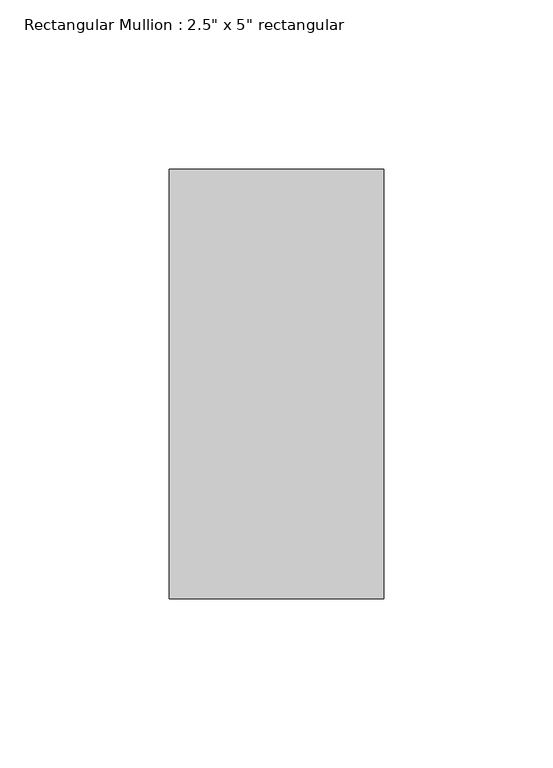
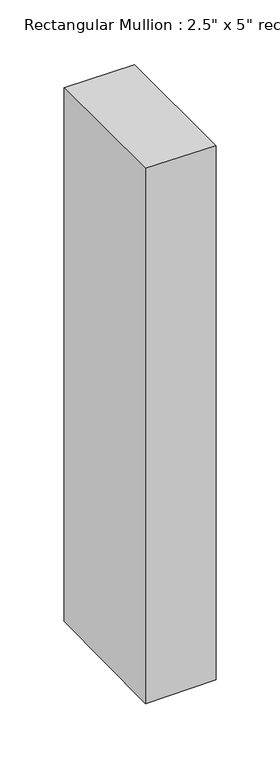
"""IFC4 building model written with IfcOpenShell, lengths in millimetres: member geometry."""

from ifc_helpers import new_model, si_unit, origin, place, context, project, spatial, faceted_brep, source, transform, mapped, element, save


def member_b1158440(model_context):
    return source(origin(), model_context, "Body", "Brep", [
        faceted_brep([(-63.5, 63.5, 0.4349781), (0.0, 63.5, 0.0), (0.0, 63.5, -506.5853394), (-63.5, 63.5, -507.3069441), (-63.5, -63.5, 0.4349781), (-63.5, -63.5, -508.8001237), (0.0, -63.5, 0.0), (0.0, -63.5, -508.0785191)], [[[0, 1, 2, 3]], [[4, 0, 3, 5]], [[6, 4, 5, 7]], [[1, 6, 7, 2]], [[1, 0, 4, 6]], [[2, 7, 5, 3]]]),
    ])


if __name__ == "__main__":
    model = new_model("IFC4")
    model_context = context("Model", 3, world=origin())
    ifc_project = project(units=[si_unit("LENGTHUNIT", "METRE", prefix="MILLI")], contexts=[model_context])
    site = spatial("IfcSite", under=ifc_project)
    building = spatial("IfcBuilding", under=site)
    placement = place(None, origin())
    member_shape = member_b1158440(model_context)
    element("IfcMember", 1, ObjectType="Rectangular Mullion : 2.5\" x 5\" rectangular", at=placement, inside=building, context=model_context, shape_type="MappedRepresentation", body=[
        mapped(member_shape, transform((0.0, 0.0, 0.0), x_axis=(1.0, 0.0, 0.0), y_axis=(0.0, 1.0, 0.0), z_axis=(0.0, 0.0, 1.0))),
    ])
    save(model, "model.ifc")
